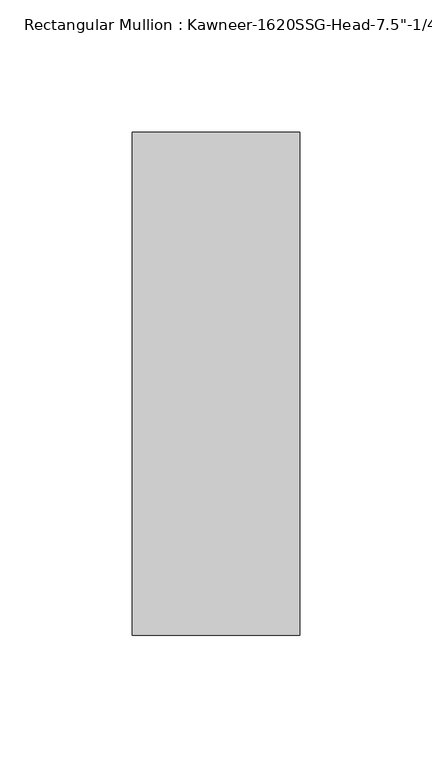
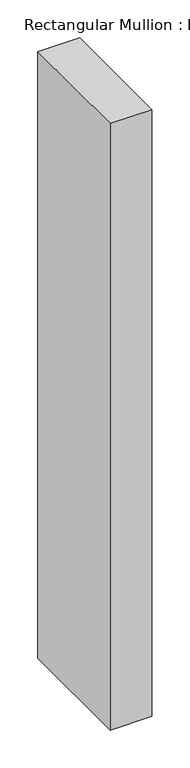
"""IFC4 building model written with IfcOpenShell, lengths in millimetres: member geometry."""

from ifc_helpers import new_model, si_unit, frame, origin, place, context, project, spatial, polyline, outline, extrude, source, transform, mapped, element, save


def member_2d798e57(model_context):
    return source(origin(), model_context, "Body", "SweptSolid", [
        extrude(outline(polyline([(-22.225, 28.575), (41.275, 28.575), (41.275, -161.925), (-22.225, -161.925), (-22.225, 28.575)])), frame((0.0, 0.0, -977.0317631), z_axis=(0.0, 0.0, 1.0), x_axis=(1.0, 0.0, 0.0)), (0.0, 0.0, 1.0), 977.0317631),
    ])


if __name__ == "__main__":
    model = new_model("IFC4")
    model_context = context("Model", 3, world=origin())
    ifc_project = project(units=[si_unit("LENGTHUNIT", "METRE", prefix="MILLI")], contexts=[model_context])
    site = spatial("IfcSite", under=ifc_project)
    building = spatial("IfcBuilding", under=site)
    placement = place(None, origin())
    member_shape = member_2d798e57(model_context)
    element("IfcMember", 1, ObjectType="Rectangular Mullion : Kawneer-1620SSG-Head-7.5\"-1/4\"Infill-1C", at=placement, inside=building, context=model_context, shape_type="MappedRepresentation", body=[
        mapped(member_shape, transform((0.0, 0.0, 0.0), x_axis=(1.0, 0.0, 0.0), y_axis=(0.0, 1.0, 0.0), z_axis=(0.0, 0.0, 1.0))),
    ])
    save(model, "model.ifc")
